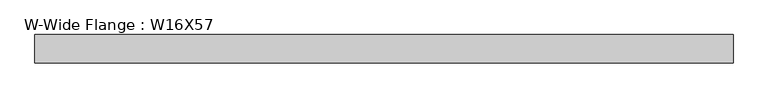
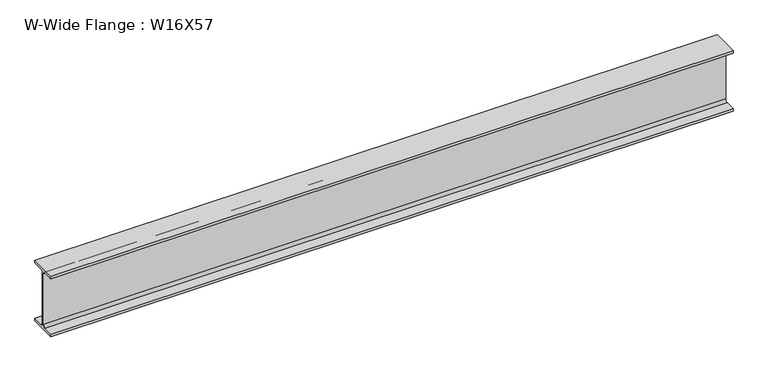
"""IFC4 building model written with IfcOpenShell, lengths in millimetres: beam geometry, W-Wide Flange : W16X57."""

from ifc_helpers import new_model, si_unit, point, frame, frame_2d, origin, place, context, project, spatial, polyline, circle_curve, trimmed, segment, composite_curve, outline, extrude, source, transform, mapped, element, save


def w_wide_flange_w16x57_329c788f(model_context):
    return source(origin(), model_context, "Body", "SweptSolid", [
        extrude(outline(composite_curve([segment(polyline([(90.4, -190.1), (90.4, -208.3), (-90.4, -208.3), (-90.4, -190.1), (-22.15, -190.1)]), True, "CONTINUOUS"), segment(trimmed(circle_curve(frame_2d((-22.15, -173.4)), 16.7), [point((-22.15, -190.1))], [point((-5.45, -173.4))], True, "CARTESIAN"), True, "CONTINUOUS"), segment(polyline([(-5.45, -173.4), (-5.45, 173.4)]), True, "CONTINUOUS"), segment(trimmed(circle_curve(frame_2d((-22.15, 173.4)), 16.7), [point((-5.45, 173.4))], [point((-22.15, 190.1))], True, "CARTESIAN"), True, "CONTINUOUS"), segment(polyline([(-22.15, 190.1), (-90.4, 190.1), (-90.4, 208.3), (90.4, 208.3), (90.4, 190.1), (22.15, 190.1)]), True, "CONTINUOUS"), segment(trimmed(circle_curve(frame_2d((22.15, 173.4)), 16.7), [point((22.15, 190.1))], [point((5.45, 173.4))], True, "CARTESIAN"), True, "CONTINUOUS"), segment(polyline([(5.45, 173.4), (5.45, -173.4)]), True, "CONTINUOUS"), segment(trimmed(circle_curve(frame_2d((22.15, -173.4)), 16.7), [point((5.45, -173.4))], [point((22.15, -190.1))], True, "CARTESIAN"), True, "CONTINUOUS"), segment(polyline([(22.15, -190.1), (90.4, -190.1)]), True, "CONTINUOUS")], self_intersect=False)), frame((-2223.1241823, 0.0, 0.0), z_axis=(1.0, 0.0, 0.0), x_axis=(0.0, 1.0, 0.0)), (0.0, 0.0, 1.0), 4445.218859),
    ])


if __name__ == "__main__":
    model = new_model("IFC4")
    model_context = context("Model", 3, world=origin())
    ifc_project = project(units=[si_unit("LENGTHUNIT", "METRE", prefix="MILLI")], contexts=[model_context])
    site = spatial("IfcSite", under=ifc_project)
    building = spatial("IfcBuilding", under=site)
    placement = place(None, origin())
    w_wide_flange_w16x57_shape = w_wide_flange_w16x57_329c788f(model_context)
    element("IfcBeam", 1, ObjectType="W-Wide Flange : W16X57", at=placement, inside=building, context=model_context, shape_type="MappedRepresentation", body=[
        mapped(w_wide_flange_w16x57_shape, transform((0.0, 0.0, 0.0), x_axis=(1.0, 0.0, 0.0), y_axis=(0.0, 1.0, 0.0), z_axis=(0.0, 0.0, 1.0))),
    ])
    save(model, "model.ifc")
